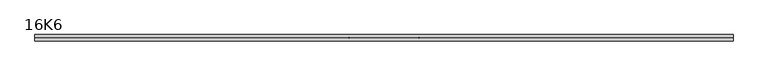
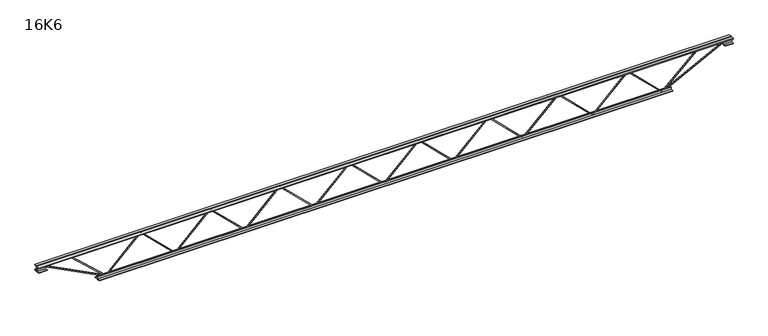
"""IFC4 building model written with IfcOpenShell, lengths in millimetres: beam geometry, 16K6."""

from ifc_helpers import new_model, si_unit, frame, origin, place, context, project, spatial, polyline, outline, extrude, source, transform, mapped, element, save


def beam_16k6_12814337(model_context):
    return source(origin(), model_context, "Body", "SweptSolid", [
        extrude(outline(polyline([(-191.9, 1636.5), (-201.4, 1636.5), (-201.4, 1641.6094795), (191.9, 2044.3844795), (191.9, 2046.8655205), (-201.4, 2449.6405205), (-201.4, 2454.75), (-191.9, 2454.75), (-191.9, 2453.5094795), (201.4, 2050.7344795), (201.4, 2040.5155205), (-191.9, 1637.7405205), (-191.9, 1636.5)])), frame((0.0, -4.75, 0.0), z_axis=(0.0, 1.0, 0.0), x_axis=(0.0, 0.0, 1.0)), (0.0, 0.0, 1.0), 9.5),
        extrude(outline(polyline([(-191.9, 818.25), (-201.4, 818.25), (-201.4, 823.3594795), (191.9, 1226.1344795), (191.9, 1228.6155205), (-201.4, 1631.3905205), (-201.4, 1636.5), (-191.9, 1636.5), (-191.9, 1635.2594795), (201.4, 1232.4844795), (201.4, 1222.2655205), (-191.9, 819.4905205), (-191.9, 818.25)])), frame((0.0, -4.75, 0.0), z_axis=(0.0, 1.0, 0.0), x_axis=(0.0, 0.0, 1.0)), (0.0, 0.0, 1.0), 9.5),
        extrude(outline(polyline([(-191.9, 0.0), (-201.4, 0.0), (-201.4, 5.1094795), (191.9, 407.8844795), (191.9, 410.3655205), (-201.4, 813.1405205), (-201.4, 818.25), (-191.9, 818.25), (-191.9, 817.0094795), (201.4, 414.2344795), (201.4, 404.0155205), (-191.9, 1.2405205), (-191.9, 0.0)])), frame((0.0, -4.75, 0.0), z_axis=(0.0, 1.0, 0.0), x_axis=(0.0, 0.0, 1.0)), (0.0, 0.0, 1.0), 9.5),
        extrude(outline(polyline([(-191.9, -818.25), (-201.4, -818.25), (-201.4, -813.1405205), (191.9, -410.3655205), (191.9, -407.8844795), (-201.4, -5.1094795), (-201.4, 0.0), (-191.9, 0.0), (-191.9, -1.2405205), (201.4, -404.0155205), (201.4, -414.2344795), (-191.9, -817.0094795), (-191.9, -818.25)])), frame((0.0, -4.75, 0.0), z_axis=(0.0, 1.0, 0.0), x_axis=(0.0, 0.0, 1.0)), (0.0, 0.0, 1.0), 9.5),
        extrude(outline(polyline([(-191.9, -1636.5), (-201.4, -1636.5), (-201.4, -1631.3905205), (191.9, -1228.6155205), (191.9, -1226.1344795), (-201.4, -823.3594795), (-201.4, -818.25), (-191.9, -818.25), (-191.9, -819.4905205), (201.4, -1222.2655205), (201.4, -1232.4844795), (-191.9, -1635.2594795), (-191.9, -1636.5)])), frame((0.0, -4.75, 0.0), z_axis=(0.0, 1.0, 0.0), x_axis=(0.0, 0.0, 1.0)), (0.0, 0.0, 1.0), 9.5),
        extrude(outline(polyline([(-191.9, -2454.75), (-201.4, -2454.75), (-201.4, -2449.6405205), (191.9, -2046.8655205), (191.9, -2044.3844795), (-201.4, -1641.6094795), (-201.4, -1636.5), (-191.9, -1636.5), (-191.9, -1637.7405205), (201.4, -2040.5155205), (201.4, -2050.7344795), (-191.9, -2453.5094795), (-191.9, -2454.75)])), frame((0.0, -4.75, 0.0), z_axis=(0.0, 1.0, 0.0), x_axis=(0.0, 0.0, 1.0)), (0.0, 0.0, 1.0), 9.5),
        extrude(outline(polyline([(-191.9, 2454.75), (-201.4, 2454.75), (-201.4, 2459.8594795), (191.9, 2862.6344795), (191.9, 2865.1155205), (-201.4, 3267.8905205), (-201.4, 3273.0), (-191.9, 3273.0), (-191.9, 3271.7594795), (201.4, 2868.9844795), (201.4, 2858.7655205), (-191.9, 2455.9905205), (-191.9, 2454.75)])), frame((0.0, -4.75, 0.0), z_axis=(0.0, 1.0, 0.0), x_axis=(0.0, 0.0, 1.0)), (0.0, 0.0, 1.0), 9.5),
        extrude(outline(polyline([(-191.9, -3273.0), (-201.4, -3273.0), (-201.4, -3267.8905205), (191.9, -2865.1155205), (191.9, -2862.6344795), (-201.4, -2459.8594795), (-201.4, -2454.75), (-191.9, -2454.75), (-191.9, -2455.9905205), (201.4, -2858.7655205), (201.4, -2868.9844795), (-191.9, -3271.7594795), (-191.9, -3273.0)])), frame((0.0, -4.75, 0.0), z_axis=(0.0, 1.0, 0.0), x_axis=(0.0, 0.0, 1.0)), (0.0, 0.0, 1.0), 9.5),
        extrude(outline(polyline([(4.75, 203.0), (36.75, 203.0), (36.75, 196.5), (11.25, 196.5), (11.25, 171.0), (4.75, 171.0), (4.75, 203.0)])), frame((-4085.0, 0.0, 0.0), z_axis=(1.0, 0.0, 0.0), x_axis=(0.0, 1.0, 0.0)), (0.0, 0.0, 1.0), 8170.0),
        extrude(outline(polyline([(-4.75, 203.0), (-4.75, 171.0), (-11.25, 171.0), (-11.25, 196.5), (-36.75, 196.5), (-36.75, 203.0), (-4.75, 203.0)])), frame((-4085.0, 0.0, 0.0), z_axis=(1.0, 0.0, 0.0), x_axis=(0.0, 1.0, 0.0)), (0.0, 0.0, 1.0), 8170.0),
        extrude(outline(polyline([(-4.75, 139.5), (-36.75, 139.5), (-36.75, 146.0), (-11.25, 146.0), (-11.25, 171.0), (-4.75, 171.0), (-4.75, 139.5)])), frame((-4085.0, 0.0, 0.0), z_axis=(1.0, 0.0, 0.0), x_axis=(0.0, 1.0, 0.0)), (0.0, 0.0, 1.0), 100.0),
        extrude(outline(polyline([(36.75, 139.5), (4.75, 139.5), (4.75, 171.0), (11.25, 171.0), (11.25, 146.0), (36.75, 146.0), (36.75, 139.5)])), frame((-4085.0, 0.0, 0.0), z_axis=(1.0, 0.0, 0.0), x_axis=(0.0, 1.0, 0.0)), (0.0, 0.0, 1.0), 100.0),
        extrude(outline(polyline([(4.75, 139.5), (4.75, 171.0), (11.25, 171.0), (11.25, 146.0), (36.75, 146.0), (36.75, 139.5), (4.75, 139.5)])), frame((3985.0, 0.0, 0.0), z_axis=(1.0, 0.0, 0.0), x_axis=(0.0, 1.0, 0.0)), (0.0, 0.0, 1.0), 100.0),
        extrude(outline(polyline([(-4.75, 139.5), (-36.75, 139.5), (-36.75, 146.0), (-11.25, 146.0), (-11.25, 171.0), (-4.75, 171.0), (-4.75, 139.5)])), frame((3985.0, 0.0, 0.0), z_axis=(1.0, 0.0, 0.0), x_axis=(0.0, 1.0, 0.0)), (0.0, 0.0, 1.0), 100.0),
        extrude(outline(polyline([(4.75, -203.0), (4.75, -171.0), (11.25, -171.0), (11.25, -196.5), (36.75, -196.5), (36.75, -203.0), (4.75, -203.0)])), frame((-3373.0, 0.0, 0.0), z_axis=(1.0, 0.0, 0.0), x_axis=(0.0, 1.0, 0.0)), (0.0, 0.0, 1.0), 6746.0),
        extrude(outline(polyline([(-4.75, -203.0), (-36.75, -203.0), (-36.75, -196.5), (-11.25, -196.5), (-11.25, -171.0), (-4.75, -171.0), (-4.75, -203.0)])), frame((-3373.0, 0.0, 0.0), z_axis=(1.0, 0.0, 0.0), x_axis=(0.0, 1.0, 0.0)), (0.0, 0.0, 1.0), 6746.0),
        extrude(outline(polyline([(-200.8705467, -3275.1793315), (-192.4294533, -3270.8206685), (175.75, -3983.8460208), (175.75, -4085.0), (166.25, -4085.0), (166.25, -3986.1539792), (-200.8705467, -3275.1793315)])), frame((0.0, -4.75, 0.0), z_axis=(0.0, 1.0, 0.0), x_axis=(0.0, 0.0, 1.0)), (0.0, 0.0, 1.0), 9.5),
        extrude(outline(polyline([(188.7, -3702.0821429), (179.2, -3702.0821429), (179.2, -3691.2259446), (-200.1560236, -3276.2047306), (-193.1439764, -3269.7952694), (188.7, -3687.5383412), (188.7, -3702.0821429)])), frame((0.0, -4.75, 0.0), z_axis=(0.0, 1.0, 0.0), x_axis=(0.0, 0.0, 1.0)), (0.0, 0.0, 1.0), 9.5),
        extrude(outline(polyline([(0.0, -9.5), (0.0, 0.0), (801.3179909, 0.0), (801.3179909, -9.5), (0.0, -9.5)])), frame((3987.1793315, -4.75, 166.7794533), z_axis=(-0.4588066213244959, 0.0, 0.8885361468329809), x_axis=(-0.8885361468329809, 0.0, -0.4588066213244959)), (0.0, 0.0, 1.0), 9.5),
        extrude(outline(polyline([(0.0, -9.5), (0.0, 0.0), (578.0615317, 0.0), (578.0615317, -9.5), (0.0, -9.5)])), frame((3699.8710783, -4.75, 193.1689059), z_axis=(-0.6803773966098363, 0.0, 0.7328619229994293), x_axis=(-0.7328619229994293, 0.0, -0.6803773966098363)), (0.0, 0.0, 1.0), 9.5),
    ])


if __name__ == "__main__":
    model = new_model("IFC4")
    model_context = context("Model", 3, world=origin())
    ifc_project = project(units=[si_unit("LENGTHUNIT", "METRE", prefix="MILLI")], contexts=[model_context])
    site = spatial("IfcSite", under=ifc_project)
    building = spatial("IfcBuilding", under=site)
    placement = place(None, origin())
    beam_16k6_shape = beam_16k6_12814337(model_context)
    element("IfcBeam", 1, ObjectType="16K6", at=placement, inside=building, context=model_context, shape_type="MappedRepresentation", body=[
        mapped(beam_16k6_shape, transform((0.0, 0.0, 0.0), x_axis=(1.0, 0.0, 0.0), y_axis=(0.0, 1.0, 0.0), z_axis=(0.0, 0.0, 1.0))),
    ])
    save(model, "model.ifc")
